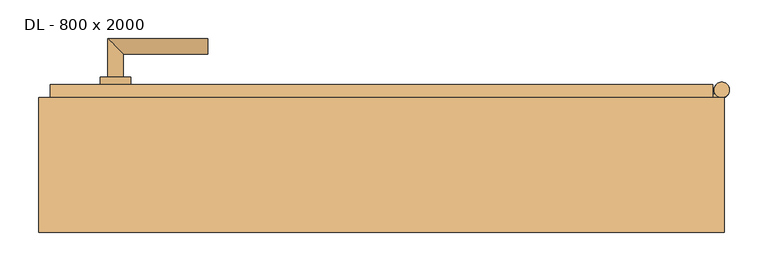
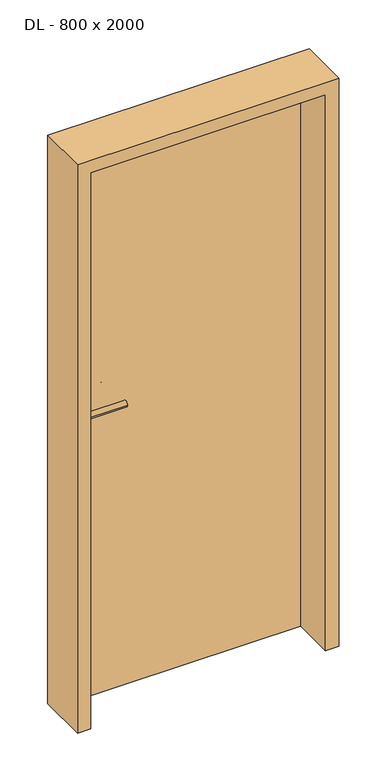
"""IFC4 building model written with IfcOpenShell, lengths in millimetres: door geometry, DL - 800 x 2000."""

from ifc_helpers import new_model, si_unit, point, frame, frame_2d, origin, place, context, project, spatial, polyline, circle_curve, ellipse_curve, trimmed, segment, composite_curve, outline, extrude, faceted_brep, source, transform, mapped, element, save
from ifc_brep_helpers import plane_surface, cylinder_surface, advanced_brep


def dl_800_x_2000_1b370036(model_context):
    return source(origin(), model_context, "Body", "SolidModel", [
        faceted_brep([(430.0, 104.5, 0.0), (430.0, 87.5, 0.0), (415.0, 87.5, 0.0), (415.0, 59.5, 0.0), (-415.0, 59.5, 0.0), (-415.0, 87.5, 0.0), (-430.0, 87.5, 0.0), (-430.0, 104.5, 0.0), (430.0, 104.5, 2030.0), (-430.0, 104.5, 2030.0), (-430.0, 87.5, 2030.0), (-415.0, 87.5, 2015.0), (415.0, 87.5, 2015.0), (430.0, 87.5, 2030.0), (-415.0, 59.5, 2015.0), (415.0, 59.5, 2015.0)], [[[0, 1, 2, 3, 4, 5, 6, 7]], [[8, 0, 7, 9]], [[7, 6, 10, 9]], [[11, 12, 2, 1, 13, 10, 6, 5]], [[5, 4, 14, 11]], [[3, 15, 14, 4]], [[12, 15, 3, 2]], [[8, 13, 1, 0]], [[9, 10, 13, 8]], [[11, 14, 15, 12]]]),
        extrude(outline(composite_curve([segment(trimmed(circle_curve(frame_2d((442.0, 97.5)), 10.0), [point((432.0, 97.5))], [point((452.0, 97.5))], False, "CARTESIAN"), True, "CONTINUOUS"), segment(trimmed(circle_curve(frame_2d((442.0, 97.5)), 10.0), [point((452.0, 97.5))], [point((432.0, 97.5))], False, "CARTESIAN"), True, "CONTINUOUS")], self_intersect=False)), frame((0.0, 0.0, 1799.0), z_axis=(0.0, 0.0, 1.0), x_axis=(1.0, 0.0, 0.0)), (0.0, 0.0, 1.0), 25.0),
        extrude(outline(composite_curve([segment(polyline([(442.0, 87.5), (430.0, 87.5), (430.0, 92.5), (433.339746, 92.5)]), True, "CONTINUOUS"), segment(trimmed(circle_curve(frame_2d((442.0, 97.5)), 10.0), [point((433.339746, 92.5))], [point((442.0, 87.5))], False, "CARTESIAN"), True, "CONTINUOUS")], self_intersect=False)), frame((0.0, 0.0, 1749.0), z_axis=(0.0, 0.0, 1.0), x_axis=(1.0, 0.0, 0.0)), (0.0, 0.0, 1.0), 50.0),
        extrude(outline(composite_curve([segment(trimmed(circle_curve(frame_2d((442.0, 97.5)), 10.0), [point((432.0, 97.5))], [point((452.0, 97.5))], False, "CARTESIAN"), True, "CONTINUOUS"), segment(trimmed(circle_curve(frame_2d((442.0, 97.5)), 10.0), [point((452.0, 97.5))], [point((432.0, 97.5))], False, "CARTESIAN"), True, "CONTINUOUS")], self_intersect=False)), frame((0.0, 0.0, 1724.0), z_axis=(0.0, 0.0, 1.0), x_axis=(1.0, 0.0, 0.0)), (0.0, 0.0, 1.0), 25.0),
        extrude(outline(composite_curve([segment(trimmed(circle_curve(frame_2d((442.0, 97.5)), 10.0), [point((432.0, 97.5))], [point((452.0, 97.5))], False, "CARTESIAN"), True, "CONTINUOUS"), segment(trimmed(circle_curve(frame_2d((442.0, 97.5)), 10.0), [point((452.0, 97.5))], [point((432.0, 97.5))], False, "CARTESIAN"), True, "CONTINUOUS")], self_intersect=False)), frame((0.0, 0.0, 266.0), z_axis=(0.0, 0.0, 1.0), x_axis=(1.0, 0.0, 0.0)), (0.0, 0.0, 1.0), 25.0),
        extrude(outline(composite_curve([segment(polyline([(442.0, 87.5), (430.0, 87.5), (430.0, 92.5), (433.339746, 92.5)]), True, "CONTINUOUS"), segment(trimmed(circle_curve(frame_2d((442.0, 97.5)), 10.0), [point((433.339746, 92.5))], [point((442.0, 87.5))], False, "CARTESIAN"), True, "CONTINUOUS")], self_intersect=False)), frame((0.0, 0.0, 216.0), z_axis=(0.0, 0.0, 1.0), x_axis=(1.0, 0.0, 0.0)), (0.0, 0.0, 1.0), 50.0),
        extrude(outline(composite_curve([segment(trimmed(circle_curve(frame_2d((442.0, 97.5)), 10.0), [point((432.0, 97.5))], [point((452.0, 97.5))], False, "CARTESIAN"), True, "CONTINUOUS"), segment(trimmed(circle_curve(frame_2d((442.0, 97.5)), 10.0), [point((452.0, 97.5))], [point((432.0, 97.5))], False, "CARTESIAN"), True, "CONTINUOUS")], self_intersect=False)), frame((0.0, 0.0, 191.0), z_axis=(0.0, 0.0, 1.0), x_axis=(1.0, 0.0, 0.0)), (0.0, 0.0, 1.0), 25.0),
        advanced_brep(
        [(-335.0, 114.5, 1050.0), (-355.0, 114.5, 1050.0), (-335.0, 144.5, 1050.0), (-355.0, 164.5, 1050.0), (-225.0, 144.5, 1050.0), (-225.0, 164.5, 1050.0)],
        [
            (0, 1, circle_curve(frame((-345.0, 114.5, 1050.0), z_axis=(0.0, -1.0, 0.0), x_axis=(-1.0, 0.0, 0.0)), 10.0)),
            (1, 0, circle_curve(frame((-345.0, 114.5, 1050.0), z_axis=(0.0, -1.0, 0.0), x_axis=(-1.0, 0.0, 0.0)), 10.0)),
            (0, 2),
            (2, 3, ellipse_curve(frame((-345.0, 154.5, 1050.0), z_axis=(-0.7071067811865531, -0.7071067811865419, 0.0), x_axis=(0.707106781186542, -0.707106781186553, 0.0)), 14.1421356, 10.0)),
            (3, 1),
            (3, 2, ellipse_curve(frame((-345.0, 154.5, 1050.0), z_axis=(-0.7071067811865531, -0.7071067811865419, 0.0), x_axis=(0.707106781186542, -0.707106781186553, 0.0)), 14.1421356, 10.0)),
            (4, 5, circle_curve(frame((-225.0, 154.5, 1050.0), z_axis=(1.0, 0.0, 0.0), x_axis=(0.0, 1.0, 0.0)), 10.0)),
            (5, 4, circle_curve(frame((-225.0, 154.5, 1050.0), z_axis=(1.0, 0.0, 0.0), x_axis=(0.0, 1.0, 0.0)), 10.0)),
            (2, 4),
            (5, 3),
        ],
        [
            plane_surface(frame((-345.0, 114.5, 1050.0), z_axis=(0.0, -1.0, 0.0), x_axis=(0.0, 0.0, 1.0))),
            cylinder_surface(frame((-345.0, 114.5, 1050.0), z_axis=(0.0, -1.0, 0.0), x_axis=(-1.0, 0.0, 0.0)), 10.0),
            plane_surface(frame((-225.0, 154.5, 1050.0), z_axis=(1.0, 0.0, 0.0), x_axis=(0.0, 0.0, 1.0))),
            cylinder_surface(frame((-345.0, 154.5, 1050.0), z_axis=(-1.0, 0.0, 0.0), x_axis=(0.0, 1.0, 0.0)), 10.0),
        ],
        [
            (0, [[1, 2]]),
            (1, [[-1, 3, 4, 5]]),
            (1, [[-2, -5, 6, -3]]),
            (2, [[7, 8]]),
            (3, [[-4, 9, -8, 10]]),
            (3, [[-6, -10, -7, -9]]),
        ],
    ),
        extrude(outline(composite_curve([segment(trimmed(circle_curve(frame_2d((990.0, -345.0)), 20.0), [point((990.0, -365.0))], [point((990.0, -325.0))], False, "CARTESIAN"), True, "CONTINUOUS"), segment(trimmed(circle_curve(frame_2d((990.0, -345.0)), 20.0), [point((990.0, -325.0))], [point((990.0, -365.0))], False, "CARTESIAN"), True, "CONTINUOUS")], self_intersect=False), holes=[composite_curve([segment(polyline([(976.4601385, -347.397268), (988.4749012, -347.397268)]), True, "CONTINUOUS"), segment(trimmed(circle_curve(frame_2d((995.0361633, -345.0)), 6.9854888), [point((988.4749012, -347.397268))], [point((988.4749012, -342.602732))], True, "CARTESIAN"), True, "CONTINUOUS"), segment(polyline([(988.4749012, -342.602732), (976.4601385, -342.602732)]), True, "CONTINUOUS"), segment(trimmed(circle_curve(frame_2d((976.4601385, -345.0)), 2.397268), [point((976.4601385, -342.602732))], [point((976.4601385, -347.397268))], True, "CARTESIAN"), True, "CONTINUOUS")], self_intersect=False)]), frame((0.0, 104.5, 0.0), z_axis=(0.0, 1.0, 0.0), x_axis=(0.0, 0.0, 1.0)), (0.0, 0.0, 1.0), 10.0),
        advanced_brep(
        [(-335.0, 114.5, 1050.0), (-355.0, 114.5, 1050.0), (-335.0, 144.5, 1050.0), (-355.0, 164.5, 1050.0), (-225.0, 144.5, 1050.0), (-225.0, 164.5, 1050.0)],
        [
            (0, 1, circle_curve(frame((-345.0, 114.5, 1050.0), z_axis=(0.0, -1.0, 0.0), x_axis=(-1.0, 0.0, 0.0)), 10.0)),
            (1, 0, circle_curve(frame((-345.0, 114.5, 1050.0), z_axis=(0.0, -1.0, 0.0), x_axis=(-1.0, 0.0, 0.0)), 10.0)),
            (0, 2),
            (2, 3, ellipse_curve(frame((-345.0, 154.5, 1050.0), z_axis=(-0.7071067811865537, -0.7071067811865414, 0.0), x_axis=(0.7071067811865414, -0.7071067811865536, 0.0)), 14.1421356, 10.0)),
            (3, 1),
            (3, 2, ellipse_curve(frame((-345.0, 154.5, 1050.0), z_axis=(-0.7071067811865537, -0.7071067811865414, 0.0), x_axis=(0.7071067811865414, -0.7071067811865536, 0.0)), 14.1421356, 10.0)),
            (4, 5, circle_curve(frame((-225.0, 154.5, 1050.0), z_axis=(1.0, 0.0, 0.0), x_axis=(0.0, 1.0, 0.0)), 10.0)),
            (5, 4, circle_curve(frame((-225.0, 154.5, 1050.0), z_axis=(1.0, 0.0, 0.0), x_axis=(0.0, 1.0, 0.0)), 10.0)),
            (2, 4),
            (5, 3),
        ],
        [
            plane_surface(frame((-345.0, 114.5, 1050.0), z_axis=(0.0, -1.0, 0.0), x_axis=(0.0, 0.0, 1.0))),
            cylinder_surface(frame((-345.0, 114.5, 1050.0), z_axis=(0.0, -1.0, 0.0), x_axis=(-1.0, 0.0, 0.0)), 10.0),
            plane_surface(frame((-225.0, 154.5, 1050.0), z_axis=(1.0, 0.0, 0.0), x_axis=(0.0, 0.0, 1.0))),
            cylinder_surface(frame((-345.0, 154.5, 1050.0), z_axis=(-1.0, 0.0, 0.0), x_axis=(0.0, 1.0, 0.0)), 10.0),
        ],
        [
            (0, [[1, 2]]),
            (1, [[-1, 3, 4, 5]]),
            (1, [[-2, -5, 6, -3]]),
            (2, [[7, 8]]),
            (3, [[-4, 9, -8, 10]]),
            (3, [[-6, -10, -7, -9]]),
        ],
    ),
        extrude(outline(composite_curve([segment(trimmed(circle_curve(frame_2d((1050.0, -345.0)), 20.0), [point((1050.0, -365.0))], [point((1050.0, -325.0))], False, "CARTESIAN"), True, "CONTINUOUS"), segment(trimmed(circle_curve(frame_2d((1050.0, -345.0)), 20.0), [point((1050.0, -325.0))], [point((1050.0, -365.0))], False, "CARTESIAN"), True, "CONTINUOUS")], self_intersect=False)), frame((0.0, 104.5, 0.0), z_axis=(0.0, 1.0, 0.0), x_axis=(0.0, 0.0, 1.0)), (0.0, 0.0, 1.0), 10.0),
        advanced_brep(
        [(-335.0, 49.5, 1050.0), (-355.0, 49.5, 1050.0), (-355.0, -0.5, 1050.0), (-335.0, 19.5, 1050.0), (-225.0, 19.5, 1050.0), (-225.0, -0.5, 1050.0)],
        [
            (0, 1, circle_curve(frame((-345.0, 49.5, 1050.0), z_axis=(0.0, 1.0, 0.0), x_axis=(-1.0, 0.0, 0.0)), 10.0)),
            (1, 0, circle_curve(frame((-345.0, 49.5, 1050.0), z_axis=(0.0, 1.0, 0.0), x_axis=(-1.0, 0.0, 0.0)), 10.0)),
            (1, 2),
            (2, 3, ellipse_curve(frame((-345.0, 9.5, 1050.0), z_axis=(-0.7071067811865486, 0.7071067811865464, 0.0), x_axis=(0.7071067811865464, 0.7071067811865488, 0.0)), 14.1421356, 10.0)),
            (3, 0),
            (3, 2, ellipse_curve(frame((-345.0, 9.5, 1050.0), z_axis=(-0.7071067811865486, 0.7071067811865464, 0.0), x_axis=(0.7071067811865464, 0.7071067811865488, 0.0)), 14.1421356, 10.0)),
            (4, 5, circle_curve(frame((-225.0, 9.5, 1050.0), z_axis=(1.0, 0.0, 0.0), x_axis=(0.0, -1.0, 0.0)), 10.0)),
            (5, 4, circle_curve(frame((-225.0, 9.5, 1050.0), z_axis=(1.0, 0.0, 0.0), x_axis=(0.0, -1.0, 0.0)), 10.0)),
            (2, 5),
            (4, 3),
        ],
        [
            plane_surface(frame((-345.0, 49.5, 1050.0), z_axis=(0.0, 1.0, 0.0), x_axis=(0.0, 0.0, 1.0))),
            cylinder_surface(frame((-345.0, 49.5, 1050.0), z_axis=(0.0, 1.0, 0.0), x_axis=(-1.0, 0.0, 0.0)), 10.0),
            plane_surface(frame((-225.0, 9.5, 1050.0), z_axis=(1.0, 0.0, 0.0), x_axis=(0.0, 0.0, 1.0))),
            cylinder_surface(frame((-345.0, 9.5, 1050.0), z_axis=(-1.0, 0.0, 0.0), x_axis=(0.0, -1.0, 0.0)), 10.0),
        ],
        [
            (0, [[1, 2]]),
            (1, [[3, 4, 5, -2]]),
            (1, [[-5, 6, -3, -1]]),
            (2, [[7, 8]]),
            (3, [[9, -7, 10, -4]]),
            (3, [[-10, -8, -9, -6]]),
        ],
    ),
        extrude(outline(composite_curve([segment(trimmed(circle_curve(frame_2d((990.0, -345.0)), 20.0), [point((990.0, -365.0))], [point((990.0, -325.0))], False, "CARTESIAN"), True, "CONTINUOUS"), segment(trimmed(circle_curve(frame_2d((990.0, -345.0)), 20.0), [point((990.0, -325.0))], [point((990.0, -365.0))], False, "CARTESIAN"), True, "CONTINUOUS")], self_intersect=False), holes=[composite_curve([segment(polyline([(976.4601385, -347.397268), (988.4749012, -347.397268)]), True, "CONTINUOUS"), segment(trimmed(circle_curve(frame_2d((995.0361633, -345.0)), 6.9854888), [point((988.4749012, -347.397268))], [point((988.4749012, -342.602732))], True, "CARTESIAN"), True, "CONTINUOUS"), segment(polyline([(988.4749012, -342.602732), (976.4601385, -342.602732)]), True, "CONTINUOUS"), segment(trimmed(circle_curve(frame_2d((976.4601385, -345.0)), 2.397268), [point((976.4601385, -342.602732))], [point((976.4601385, -347.397268))], True, "CARTESIAN"), True, "CONTINUOUS")], self_intersect=False)]), frame((0.0, 49.5, 0.0), z_axis=(0.0, 1.0, 0.0), x_axis=(0.0, 0.0, 1.0)), (0.0, 0.0, 1.0), 10.0),
        advanced_brep(
        [(-335.0, 49.5, 1050.0), (-355.0, 49.5, 1050.0), (-355.0, -0.5, 1050.0), (-335.0, 19.5, 1050.0), (-225.0, 19.5, 1050.0), (-225.0, -0.5, 1050.0)],
        [
            (0, 1, circle_curve(frame((-345.0, 49.5, 1050.0), z_axis=(0.0, 1.0, 0.0), x_axis=(-1.0, 0.0, 0.0)), 10.0)),
            (1, 0, circle_curve(frame((-345.0, 49.5, 1050.0), z_axis=(0.0, 1.0, 0.0), x_axis=(-1.0, 0.0, 0.0)), 10.0)),
            (1, 2),
            (2, 3, ellipse_curve(frame((-345.0, 9.5, 1050.0), z_axis=(-0.7071067811865491, 0.7071067811865459, 0.0), x_axis=(0.7071067811865458, 0.7071067811865492, 0.0)), 14.1421356, 10.0)),
            (3, 0),
            (3, 2, ellipse_curve(frame((-345.0, 9.5, 1050.0), z_axis=(-0.7071067811865491, 0.7071067811865459, 0.0), x_axis=(0.7071067811865458, 0.7071067811865492, 0.0)), 14.1421356, 10.0)),
            (4, 5, circle_curve(frame((-225.0, 9.5, 1050.0), z_axis=(1.0, 0.0, 0.0), x_axis=(0.0, -1.0, 0.0)), 10.0)),
            (5, 4, circle_curve(frame((-225.0, 9.5, 1050.0), z_axis=(1.0, 0.0, 0.0), x_axis=(0.0, -1.0, 0.0)), 10.0)),
            (2, 5),
            (4, 3),
        ],
        [
            plane_surface(frame((-345.0, 49.5, 1050.0), z_axis=(0.0, 1.0, 0.0), x_axis=(0.0, 0.0, 1.0))),
            cylinder_surface(frame((-345.0, 49.5, 1050.0), z_axis=(0.0, 1.0, 0.0), x_axis=(-1.0, 0.0, 0.0)), 10.0),
            plane_surface(frame((-225.0, 9.5, 1050.0), z_axis=(1.0, 0.0, 0.0), x_axis=(0.0, 0.0, 1.0))),
            cylinder_surface(frame((-345.0, 9.5, 1050.0), z_axis=(-1.0, 0.0, 0.0), x_axis=(0.0, -1.0, 0.0)), 10.0),
        ],
        [
            (0, [[1, 2]]),
            (1, [[3, 4, 5, -2]]),
            (1, [[-5, 6, -3, -1]]),
            (2, [[7, 8]]),
            (3, [[9, -7, 10, -4]]),
            (3, [[-10, -8, -9, -6]]),
        ],
    ),
        extrude(outline(composite_curve([segment(trimmed(circle_curve(frame_2d((1050.0, -345.0)), 20.0), [point((1050.0, -365.0))], [point((1050.0, -325.0))], False, "CARTESIAN"), True, "CONTINUOUS"), segment(trimmed(circle_curve(frame_2d((1050.0, -345.0)), 20.0), [point((1050.0, -325.0))], [point((1050.0, -365.0))], False, "CARTESIAN"), True, "CONTINUOUS")], self_intersect=False)), frame((0.0, 49.5, 0.0), z_axis=(0.0, 1.0, 0.0), x_axis=(0.0, 0.0, 1.0)), (0.0, 0.0, 1.0), 10.0),
        faceted_brep([(-415.0, 87.5, 0.0), (-415.0, 59.5, 0.0), (-400.0, 59.5, 0.0), (-400.0, -87.5, 0.0), (-445.0, -87.5, 0.0), (-445.0, 87.5, 0.0), (-415.0, 87.5, 2015.0), (-415.0, 59.5, 2015.0), (415.0, 59.5, 2015.0), (415.0, 59.5, 0.0), (400.0, 59.5, 0.0), (400.0, 59.5, 2000.0), (-400.0, 59.5, 2000.0), (-400.0, -87.5, 2000.0), (400.0, -87.5, 2000.0), (400.0, -87.5, 0.0), (445.0, -87.5, 0.0), (445.0, -87.5, 2045.0), (-445.0, -87.5, 2045.0), (-445.0, 87.5, 2045.0), (445.0, 87.5, 2045.0), (445.0, 87.5, 0.0), (415.0, 87.5, 0.0), (415.0, 87.5, 2015.0)], [[[0, 1, 2, 3, 4, 5]], [[1, 0, 6, 7]], [[2, 1, 7, 8, 9, 10, 11, 12]], [[3, 2, 12, 13]], [[4, 3, 13, 14, 15, 16, 17, 18]], [[5, 4, 18, 19]], [[0, 5, 19, 20, 21, 22, 23, 6]], [[20, 17, 16, 21]], [[22, 21, 16, 15, 10, 9]], [[8, 23, 22, 9]], [[14, 11, 10, 15]], [[19, 18, 17, 20]], [[13, 12, 11, 14]], [[7, 6, 23, 8]]]),
    ])


if __name__ == "__main__":
    model = new_model("IFC4")
    model_context = context("Model", 3, world=origin())
    ifc_project = project(units=[si_unit("LENGTHUNIT", "METRE", prefix="MILLI")], contexts=[model_context])
    site = spatial("IfcSite", under=ifc_project)
    building = spatial("IfcBuilding", under=site)
    placement = place(None, origin())
    dl_800_x_2000_shape = dl_800_x_2000_1b370036(model_context)
    element("IfcDoor", 1, ObjectType="DL - 800 x 2000", at=placement, inside=building, context=model_context, shape_type="MappedRepresentation", body=[
        mapped(dl_800_x_2000_shape, transform((0.0, 0.0, 0.0), x_axis=(1.0, 0.0, 0.0), y_axis=(0.0, 1.0, 0.0), z_axis=(0.0, 0.0, 1.0))),
    ])
    save(model, "model.ifc")
